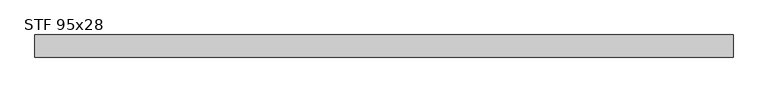
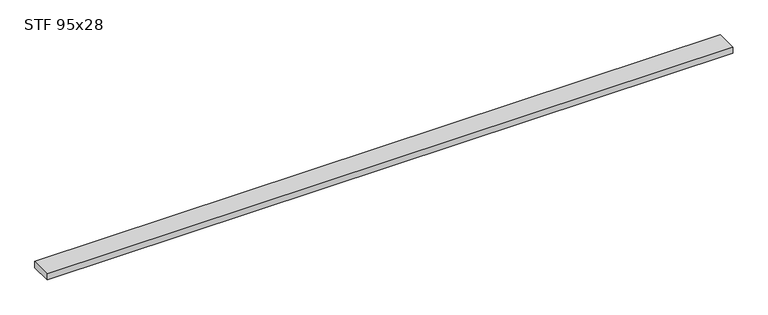
"""IFC4 building model written with IfcOpenShell, lengths in millimetres: beam geometry, STF 95x28."""

from ifc_helpers import new_model, si_unit, frame, origin, place, context, project, spatial, polyline, outline, extrude, source, transform, mapped, element, save


def stf_95x28_ebcede3a(model_context):
    return source(origin(), model_context, "Body", "SweptSolid", [
        extrude(outline(polyline([(-1502.0, -47.5), (-1502.0, 47.5), (1500.0, 47.5), (1500.0, -47.5), (-1502.0, -47.5)])), frame((0.0, 0.0, -14.0), z_axis=(0.0, 0.0, 1.0), x_axis=(1.0, 0.0, 0.0)), (0.0, 0.0, 1.0), 28.0),
    ])


if __name__ == "__main__":
    model = new_model("IFC4")
    model_context = context("Model", 3, world=origin())
    ifc_project = project(units=[si_unit("LENGTHUNIT", "METRE", prefix="MILLI")], contexts=[model_context])
    site = spatial("IfcSite", under=ifc_project)
    building = spatial("IfcBuilding", under=site)
    placement = place(None, origin())
    stf_95x28_shape = stf_95x28_ebcede3a(model_context)
    element("IfcBeam", 1, ObjectType="STF 95x28", at=placement, inside=building, context=model_context, shape_type="MappedRepresentation", body=[
        mapped(stf_95x28_shape, transform((0.0, 0.0, 0.0), x_axis=(1.0, 0.0, 0.0), y_axis=(0.0, 1.0, 0.0), z_axis=(0.0, 0.0, 1.0))),
    ])
    save(model, "model.ifc")
